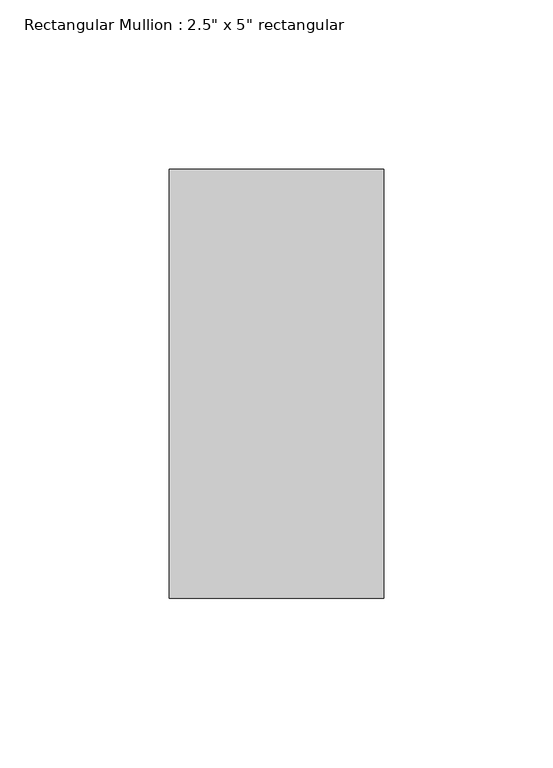
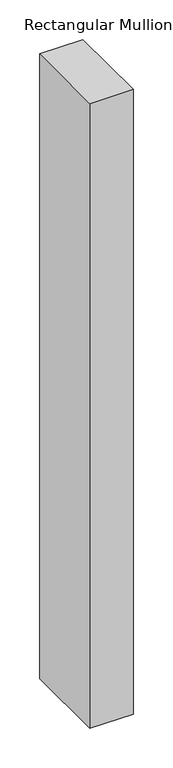
"""IFC4 building model written with IfcOpenShell, lengths in millimetres: member geometry."""

import ifcopenshell
import ifcopenshell.guid

model = None  # the IFC model being written
_history = None  # IfcOwnerHistory: only IFC2X3 demands one
_inside = {}  # id of a spatial element -> (the spatial element, [elements in it])
_under = {}  # id of a project, library or spatial element -> (it, [spatial elements below it])
_declared = {}  # id of a project -> (the project, [libraries it declares])
_typed = {}  # id of a type object -> (the type object, [elements of that type])
_made_of = {}  # id of a material, layer set ... -> (it, [elements and type objects made of it])


def new_model(schema):
    """Start an empty IFC model of exactly this schema.

    Asked for "IFC4X3", IfcOpenShell would pick the latest addendum, in which some entities
    have other attributes; the version numbers below select the first issue.
    IFC2X3 requires an IfcOwnerHistory on every rooted entity: one is made here for all.
    """
    global model, _history
    if schema == "IFC4X3":
        model = ifcopenshell.file(schema_version=(4, 3, 0, 0))
    else:
        model = ifcopenshell.file(schema=schema)
    _inside.clear()
    _under.clear()
    _declared.clear()
    _typed.clear()
    _made_of.clear()
    _history = None
    if model.schema == "IFC2X3":
        org = make("IfcOrganization", Name="unknown")
        user = make(
            "IfcPersonAndOrganization",
            ThePerson=make("IfcPerson", FamilyName="unknown"),
            TheOrganization=org,
        )
        app = make(
            "IfcApplication",
            ApplicationDeveloper=org,
            Version="unknown",
            ApplicationFullName="unknown",
            ApplicationIdentifier="unknown",
        )
        _history = make(
            "IfcOwnerHistory",
            OwningUser=user,
            OwningApplication=app,
            ChangeAction="ADDED",
            CreationDate=0,
        )
    return model


def make(cls, **values):
    """One entity of the class cls with the attributes given. An attribute that is None is left unset."""
    return model.create_entity(
        cls, **{name: value for name, value in values.items() if value is not None}
    )


def rooted(cls, **values):
    """An entity with a GlobalId (a new one), such as an element, a storey or a relation."""
    return make(cls, GlobalId=ifcopenshell.guid.new(), OwnerHistory=_history, **values)


def si_unit(unit_type, name, prefix=None):
    """IfcSIUnit, for example si_unit("LENGTHUNIT", "METRE", prefix="MILLI")."""
    return make("IfcSIUnit", UnitType=unit_type, Prefix=prefix, Name=name)


def assignment(units):
    """IfcUnitAssignment: the units of a project."""
    return None if units is None else make("IfcUnitAssignment", Units=units)


def point(xyz):
    """IfcCartesianPoint."""
    return None if xyz is None else make("IfcCartesianPoint", Coordinates=xyz)


def direction(xyz):
    """IfcDirection."""
    return None if xyz is None else make("IfcDirection", DirectionRatios=xyz)


def frame(location, z_axis=None, x_axis=None):
    """IfcAxis2Placement3D, a coordinate frame: its origin and axes. An axis left out is left unset."""
    return make(
        "IfcAxis2Placement3D",
        Location=point(location),
        Axis=direction(z_axis),
        RefDirection=direction(x_axis),
    )


def origin():
    """The frame at (0, 0, 0) with its axes left unset."""
    return frame((0.0, 0.0, 0.0))


def place(relative_to, where):
    """IfcLocalPlacement: puts the frame where relative to a parent placement (None: the world)."""
    return make(
        "IfcLocalPlacement", PlacementRelTo=relative_to, RelativePlacement=where
    )


def context(
    kind, dimensions, precision=None, world=None, true_north=None, identifier=None
):
    """IfcGeometricRepresentationContext, for example the 3D "Model" context."""
    return make(
        "IfcGeometricRepresentationContext",
        ContextIdentifier=identifier,
        ContextType=kind,
        CoordinateSpaceDimension=dimensions,
        Precision=precision,
        WorldCoordinateSystem=world,
        TrueNorth=true_north,
    )


def project(units=None, contexts=None):
    """IfcProject with its units and contexts."""
    return rooted(
        "IfcProject",
        Name="project",
        RepresentationContexts=contexts,
        UnitsInContext=assignment(units),
    )


def spatial(cls, under=None, at=None, **own):
    """A site, building, storey or space (cls), placed at a placement, below another one or the project."""
    s = rooted(cls, ObjectPlacement=at, **own)
    if under is not None:
        _under.setdefault(under.id(), (under, []))[1].append(s)
    return s


def polyline(points):
    """IfcPolyline through the points."""
    return make("IfcPolyline", Points=[point(p) for p in points])


def outline(outer, holes=None, kind="AREA"):
    """IfcArbitraryClosedProfileDef: a profile drawn as a closed curve; with holes, ...WithVoids."""
    if holes is None:
        return make("IfcArbitraryClosedProfileDef", ProfileType=kind, OuterCurve=outer)
    return make(
        "IfcArbitraryProfileDefWithVoids",
        ProfileType=kind,
        OuterCurve=outer,
        InnerCurves=holes,
    )


def extrude(swept, where, along, depth):
    """IfcExtrudedAreaSolid: the profile swept, set in the frame where, extruded along a direction by depth."""
    return make(
        "IfcExtrudedAreaSolid",
        SweptArea=swept,
        Position=where,
        ExtrudedDirection=direction(along),
        Depth=depth,
    )


def shape(context_of_items, identifier, shape_type, items):
    """IfcShapeRepresentation: the items that make up one representation, for example the "Body"."""
    return make(
        "IfcShapeRepresentation",
        ContextOfItems=context_of_items,
        RepresentationIdentifier=identifier,
        RepresentationType=shape_type,
        Items=items,
    )


def source(mapping_origin, context_of_items, identifier, shape_type, items):
    """IfcRepresentationMap: a shape defined once, which mapped items show again and again."""
    return make(
        "IfcRepresentationMap",
        MappingOrigin=mapping_origin,
        MappedRepresentation=shape(context_of_items, identifier, shape_type, items),
    )


def transform(
    local_origin,
    x_axis=None,
    y_axis=None,
    z_axis=None,
    scale=None,
    scale2=None,
    scale3=None,
    uniform=True,
):
    """IfcCartesianTransformationOperator3D, or its non-uniform kind. x_axis, y_axis, z_axis: its Axis1, 2, 3."""
    if uniform:
        return make(
            "IfcCartesianTransformationOperator3D",
            Axis1=direction(x_axis),
            Axis2=direction(y_axis),
            LocalOrigin=point(local_origin),
            Scale=scale,
            Axis3=direction(z_axis),
        )
    return make(
        "IfcCartesianTransformationOperator3DnonUniform",
        Axis1=direction(x_axis),
        Axis2=direction(y_axis),
        LocalOrigin=point(local_origin),
        Scale=scale,
        Axis3=direction(z_axis),
        Scale2=scale2,
        Scale3=scale3,
    )


def mapped(mapping_source, mapping_target):
    """IfcMappedItem: shows the shape of a source again, moved by a transform."""
    return make(
        "IfcMappedItem", MappingSource=mapping_source, MappingTarget=mapping_target
    )


def made_of(thing, what):
    """Note that an element or type object is made of a material, layer set ...; save() writes the relation."""
    if what is not None:
        _made_of.setdefault(what.id(), (what, []))[1].append(thing)
    return thing


def element(
    cls,
    number,
    at=None,
    inside=None,
    cuts=None,
    type_object=None,
    material=None,
    context=None,
    identifier="Body",
    shape_type=None,
    held_by="IfcProductDefinitionShape",
    body=None,
    shapes=None,
    **own,
):
    """One element of the class cls, such as IfcWall. Its Tag is "e" and its number.

    at: its placement. inside: the storey or other place that contains it. cuts: it is an
    opening in that element (IfcRelVoidsElement). A single representation is given by context,
    identifier, shape_type and body (its items); several are given by shapes. held_by: the class
    of the entity that holds the representations. save() writes the other relations.
    """
    e = rooted(cls, Tag="e%d" % number, ObjectPlacement=at, **own)
    if body is not None:
        shapes = [shape(context, identifier, shape_type, body)]
    if shapes is not None:
        e.Representation = make(held_by, Representations=shapes)
    if inside is not None:
        _inside.setdefault(inside.id(), (inside, []))[1].append(e)
    if cuts is not None:
        rooted(
            "IfcRelVoidsElement", RelatingBuildingElement=cuts, RelatedOpeningElement=e
        )
    if type_object is not None:
        _typed.setdefault(type_object.id(), (type_object, []))[1].append(e)
    return made_of(e, material)


def aggregate(whole, parts):
    """IfcRelAggregates: a whole, such as a stair, and the parts it consists of."""
    return rooted("IfcRelAggregates", RelatingObject=whole, RelatedObjects=parts)


def save(model, path):
    """Write the relations noted so far, then the file.

    IfcRelAggregates (storeys below a building ...), IfcRelContainedInSpatialStructure (elements
    in a storey), IfcRelDefinesByType, IfcRelAssociatesMaterial and IfcRelDeclares: one each for
    every whole, place, type object, material and project.
    """
    for whole, parts in _under.values():
        aggregate(whole, parts)
    for where, things in _inside.values():
        rooted(
            "IfcRelContainedInSpatialStructure",
            RelatedElements=things,
            RelatingStructure=where,
        )
    for kind, things in _typed.values():
        rooted("IfcRelDefinesByType", RelatedObjects=things, RelatingType=kind)
    for what, things in _made_of.values():
        rooted("IfcRelAssociatesMaterial", RelatedObjects=things, RelatingMaterial=what)
    for by, libraries in _declared.values():
        rooted("IfcRelDeclares", RelatingContext=by, RelatedDefinitions=libraries)
    model.write(path)


def member_9193c932(model_context):
    return source(origin(), model_context, "Body", "SweptSolid", [
        extrude(outline(polyline([(0.0, 63.5), (0.0, -63.5), (-63.5, -63.5), (-63.5, 63.5), (0.0, 63.5)])), frame((0.0, 0.0, -965.2), z_axis=(0.0, 0.0, 1.0), x_axis=(1.0, 0.0, 0.0)), (0.0, 0.0, 1.0), 965.2),
    ])


if __name__ == "__main__":
    model = new_model("IFC4")
    model_context = context("Model", 3, world=origin())
    ifc_project = project(units=[si_unit("LENGTHUNIT", "METRE", prefix="MILLI")], contexts=[model_context])
    site = spatial("IfcSite", under=ifc_project)
    building = spatial("IfcBuilding", under=site)
    placement = place(None, origin())
    member_shape = member_9193c932(model_context)
    element("IfcMember", 1, ObjectType="Rectangular Mullion : 2.5\" x 5\" rectangular", at=placement, inside=building, context=model_context, shape_type="MappedRepresentation", body=[
        mapped(member_shape, transform((0.0, 0.0, 0.0), x_axis=(1.0, 0.0, 0.0), y_axis=(0.0, 1.0, 0.0), z_axis=(0.0, 0.0, 1.0))),
    ])
    save(model, "model.ifc")
